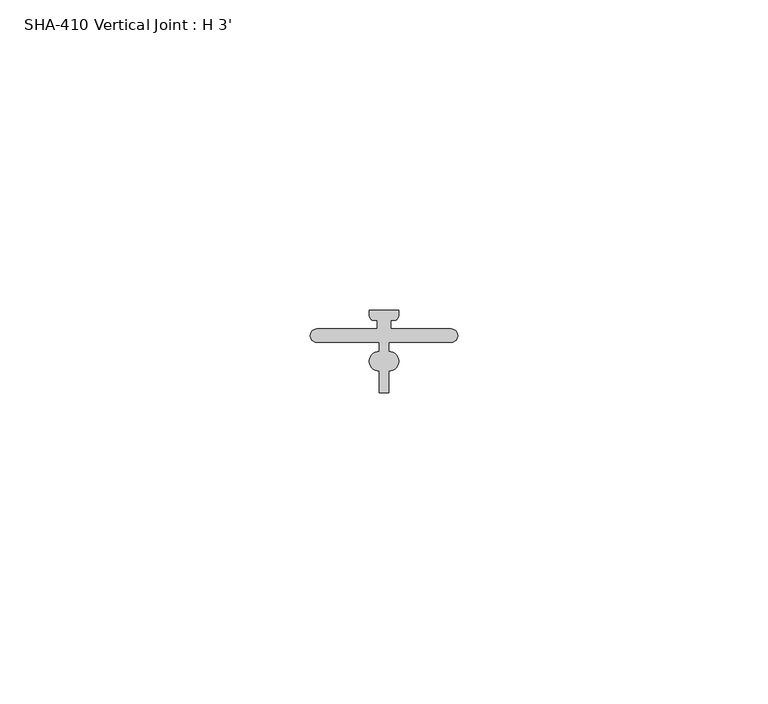
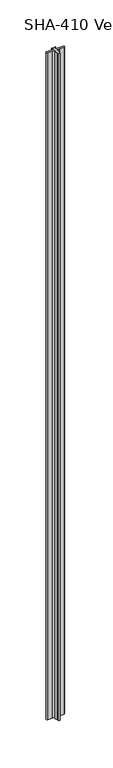
"""IFC4 building model written with IfcOpenShell, lengths in millimetres: proxy geometry, SHA-410 Vertical Joint : H 3'."""

from ifc_helpers import new_model, si_unit, point, frame_2d, origin, origin_with_axes, place, context, project, spatial, polyline, circle_curve, trimmed, segment, composite_curve, outline, extrude, source, transform, mapped, element, save


def sha_410_vertical_joint_h_3_e36336dd(model_context):
    return source(origin(), model_context, "Body", "SweptSolid", [
        extrude(outline(composite_curve([segment(trimmed(circle_curve(frame_2d((11.0998, 0.522225)), 1.5748001), [point((11.0995466, -1.0525751))], [point((11.0995466, 2.097025))], False, "CARTESIAN"), True, "CONTINUOUS"), segment(polyline([(11.0995466, 2.097025), (11.0995466, 3.582925), (7.2987956, 3.582925), (1.0668, 3.582925)]), True, "CONTINUOUS"), segment(trimmed(circle_curve(frame_2d((1.0668, 4.649725)), 1.0668), [point((1.0668, 3.582925))], [point((1.0668, 5.716525))], False, "CARTESIAN"), True, "CONTINUOUS"), segment(polyline([(1.0668, 5.716525), (7.2987956, 5.716525), (10.8204001, 5.716525), (10.8204001, 7.1440039), (9.9969026, 7.1440039)]), True, "CONTINUOUS"), segment(trimmed(circle_curve(frame_2d((10.4324294, 7.9400846)), 0.9074294), [point((9.9969026, 7.1440039))], [point((9.525, 7.9400846))], False, "CARTESIAN"), True, "CONTINUOUS"), segment(polyline([(9.525, 7.9400846), (9.525, 8.7315039), (11.8872001, 8.7315039), (14.2494004, 8.7315039), (14.2494004, 7.9400846)]), True, "CONTINUOUS"), segment(trimmed(circle_curve(frame_2d((13.3419707, 7.9400846)), 0.9074294), [point((14.2494004, 7.9400846))], [point((13.7774976, 7.1440039))], False, "CARTESIAN"), True, "CONTINUOUS"), segment(polyline([(13.7774976, 7.1440039), (12.9540001, 7.1440039), (12.9540001, 5.716525), (16.4756045, 5.716525), (22.7076003, 5.716525)]), True, "CONTINUOUS"), segment(trimmed(circle_curve(frame_2d((22.7076003, 4.649725)), 1.0668), [point((22.7076003, 5.716525))], [point((22.7076003, 3.582925))], False, "CARTESIAN"), True, "CONTINUOUS"), segment(polyline([(22.7076003, 3.582925), (16.4756045, 3.582925), (12.6748538, 3.582925), (12.6748538, 2.097025)]), True, "CONTINUOUS"), segment(trimmed(circle_curve(frame_2d((12.6746003, 0.522225)), 1.5748001), [point((12.6748538, 2.097025))], [point((12.6748537, -1.0525751))], False, "CARTESIAN"), True, "CONTINUOUS"), segment(polyline([(12.6748537, -1.0525751), (12.6748537, -4.557775), (11.0995466, -4.557775), (11.0995466, -1.0525751)]), True, "CONTINUOUS")], self_intersect=False)), origin_with_axes(), (0.0, 0.0, 1.0), 914.4),
    ])


if __name__ == "__main__":
    model = new_model("IFC4")
    model_context = context("Model", 3, world=origin())
    ifc_project = project(units=[si_unit("LENGTHUNIT", "METRE", prefix="MILLI")], contexts=[model_context])
    site = spatial("IfcSite", under=ifc_project)
    building = spatial("IfcBuilding", under=site)
    placement = place(None, origin())
    sha_410_vertical_joint_h_3_shape = sha_410_vertical_joint_h_3_e36336dd(model_context)
    element("IfcBuildingElementProxy", 1, Name="SHA-410 Vertical Joint : H 3'", ObjectType="SHA-410 Vertical Joint : H 3'", at=placement, inside=building, context=model_context, shape_type="MappedRepresentation", body=[
        mapped(sha_410_vertical_joint_h_3_shape, transform((0.0, 0.0, 0.0), x_axis=(1.0, 0.0, 0.0), y_axis=(0.0, 1.0, 0.0), z_axis=(0.0, 0.0, 1.0))),
    ])
    save(model, "model.ifc")
